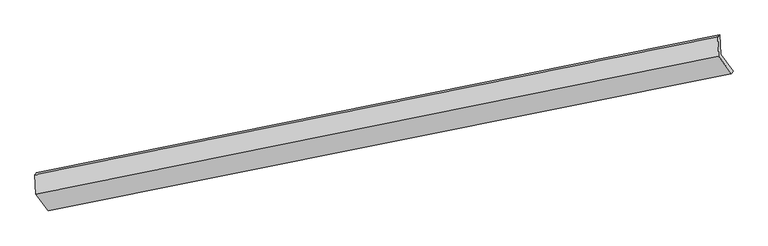
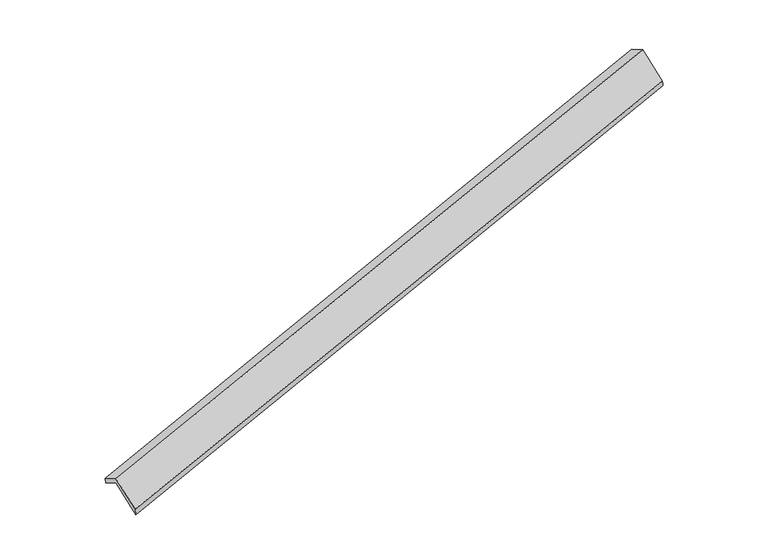
"""IFC4 building model written with IfcOpenShell, lengths in millimetres: proxy geometry."""

from ifc_helpers import new_model, si_unit, frame, origin, place, context, project, spatial, source, transform, mapped, element, save
from ifc_brep_helpers import plane_surface, spline_surface, advanced_brep


def generic_models_eaa7807c(model_context):
    return source(origin(), model_context, "Body", "AdvancedBrep", [
        advanced_brep(
        [(-9655.6071685, -2855.2768374, 188.3364302), (-9672.8302295, -2478.8298965, -19.4537685), (3797.6828429, 237.9480307, 3858.4042794), (3815.1060175, -142.8728223, 4068.6087786), (-9705.7115831, -2521.3465184, 125.1538115), (3759.8475717, 202.0989976, 4015.5019337), (-9688.1992254, -2904.1166598, 336.4342738), (3777.560043, -185.0450559, 4229.1966966), (-9444.8728537, -3231.6150751, -277.0528029), (4029.1429442, -523.6561192, 3594.8928292), (-9405.8800478, -3191.3901642, -441.2885473), (4061.5305265, -474.5410899, 3447.3105174)],
        [
            (0, 1),
            (1, 2),
            (2, 3),
            (3, 0),
            (1, 4),
            (4, 5),
            (5, 2),
            (4, 6),
            (6, 7),
            (7, 5),
            (6, 8),
            (8, 9),
            (9, 7),
            (8, 10),
            (10, 11),
            (11, 9),
            (10, 0),
            (3, 11),
        ],
        [
            plane_surface(frame((-9664.218699, -2667.0533669, 84.4413309), z_axis=(0.32945652479367227, -0.44467023930825733, -0.8329026212855941), x_axis=(-0.04002272148420076, 0.8747824242389349, -0.4828601163977518))),
            spline_surface(1, 1, [[(-9672.8302295, -2478.8298965, -19.4537685), (3797.6828429, 237.9480307, 3858.4042794)], [(-9705.7115831, -2521.3465184, 125.1538115), (3759.8475717, 202.0989976, 4015.5019337)]], [2, 2], [2, 2], [0.0, 1.0], [0.0, 1.0]),
            plane_surface(frame((-9696.9554042, -2712.7315891, 230.7940426), z_axis=(-0.3304473398887755, 0.44446785290238466, 0.8326180897006602), x_axis=(0.040022721484348864, -0.8747824242388783, 0.48286011639784204))),
            plane_surface(frame((-9566.5360395, -3067.8658675, 29.6907355), z_axis=(0.037380703761236325, -0.8753190949792519, 0.48209870872158356), x_axis=(0.330261179967633, -0.4445059215121364, -0.8326716272018839))),
            spline_surface(1, 1, [[(-9444.8728537, -3231.6150751, -277.0528029), (4029.1429442, -523.6561192, 3594.8928292)], [(-9405.8800478, -3191.3901642, -441.2885473), (4061.5305265, -474.5410899, 3447.3105174)]], [2, 2], [2, 2], [0.0, 1.0], [0.0, 1.0]),
            plane_surface(frame((-9530.7436081, -3023.3335008, -126.4760586), z_axis=(-0.03738070376126651, 0.8753190949792914, -0.48209870872150934), x_axis=(-0.3302611799676155, 0.44450592151206103, 0.8326716272019311))),
            plane_surface(frame((3873.4783243, -147.6780098, 3868.9858391), z_axis=(0.9430406856394851, 0.1927957364241797, 0.2711163389492941), x_axis=(0.20385367171183116, 0.3091394398613699, -0.9289114528585615))),
            plane_surface(frame((-9595.5168513, -2863.7625252, -14.6451005), z_axis=(-0.9430406856394862, -0.192795736424104, -0.2711163389493441), x_axis=(0.33026117996762333, -0.44450592151207324, -0.8326716272019216))),
        ],
        [
            (0, [[1, 2, 3, 4]]),
            (1, [[5, 6, 7, -2]]),
            (2, [[8, 9, 10, -6]]),
            (3, [[11, 12, 13, -9]]),
            (4, [[14, 15, 16, -12]]),
            (5, [[17, -4, 18, -15]]),
            (6, [[-16, -18, -3, -7, -10, -13]]),
            (7, [[-17, -14, -11, -8, -5, -1]]),
        ],
    ),
    ])


if __name__ == "__main__":
    model = new_model("IFC4")
    model_context = context("Model", 3, world=origin())
    ifc_project = project(units=[si_unit("LENGTHUNIT", "METRE", prefix="MILLI")], contexts=[model_context])
    site = spatial("IfcSite", under=ifc_project)
    building = spatial("IfcBuilding", under=site)
    placement = place(None, origin())
    generic_models_shape = generic_models_eaa7807c(model_context)
    element("IfcBuildingElementProxy", 1, Name="Generic Models", at=placement, inside=building, context=model_context, shape_type="MappedRepresentation", body=[
        mapped(generic_models_shape, transform((0.0, 0.0, 0.0), x_axis=(1.0, 0.0, 0.0), y_axis=(0.0, 1.0, 0.0), z_axis=(0.0, 0.0, 1.0))),
    ])
    save(model, "model.ifc")
